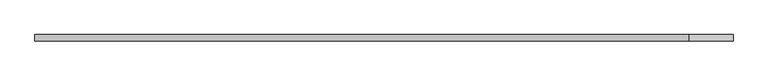
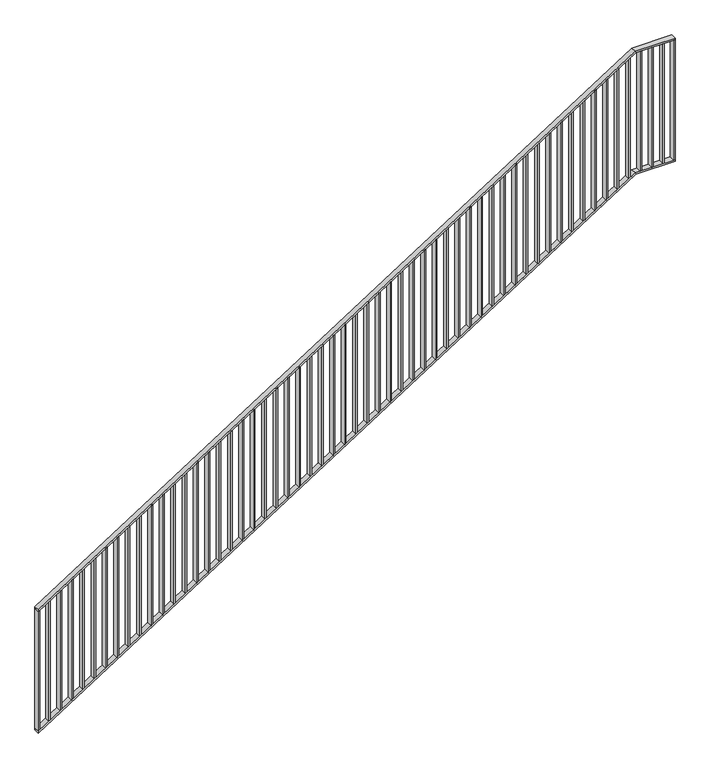
"""IFC4 building model written with IfcOpenShell, lengths in millimetres: railing geometry."""

import ifcopenshell
import ifcopenshell.guid

model = None  # the IFC model being written
_history = None  # IfcOwnerHistory: only IFC2X3 demands one
_inside = {}  # id of a spatial element -> (the spatial element, [elements in it])
_under = {}  # id of a project, library or spatial element -> (it, [spatial elements below it])
_declared = {}  # id of a project -> (the project, [libraries it declares])
_typed = {}  # id of a type object -> (the type object, [elements of that type])
_made_of = {}  # id of a material, layer set ... -> (it, [elements and type objects made of it])


def new_model(schema):
    """Start an empty IFC model of exactly this schema.

    Asked for "IFC4X3", IfcOpenShell would pick the latest addendum, in which some entities
    have other attributes; the version numbers below select the first issue.
    IFC2X3 requires an IfcOwnerHistory on every rooted entity: one is made here for all.
    """
    global model, _history
    if schema == "IFC4X3":
        model = ifcopenshell.file(schema_version=(4, 3, 0, 0))
    else:
        model = ifcopenshell.file(schema=schema)
    _inside.clear()
    _under.clear()
    _declared.clear()
    _typed.clear()
    _made_of.clear()
    _history = None
    if model.schema == "IFC2X3":
        org = make("IfcOrganization", Name="unknown")
        user = make(
            "IfcPersonAndOrganization",
            ThePerson=make("IfcPerson", FamilyName="unknown"),
            TheOrganization=org,
        )
        app = make(
            "IfcApplication",
            ApplicationDeveloper=org,
            Version="unknown",
            ApplicationFullName="unknown",
            ApplicationIdentifier="unknown",
        )
        _history = make(
            "IfcOwnerHistory",
            OwningUser=user,
            OwningApplication=app,
            ChangeAction="ADDED",
            CreationDate=0,
        )
    return model


def make(cls, **values):
    """One entity of the class cls with the attributes given. An attribute that is None is left unset."""
    return model.create_entity(
        cls, **{name: value for name, value in values.items() if value is not None}
    )


def rooted(cls, **values):
    """An entity with a GlobalId (a new one), such as an element, a storey or a relation."""
    return make(cls, GlobalId=ifcopenshell.guid.new(), OwnerHistory=_history, **values)


def si_unit(unit_type, name, prefix=None):
    """IfcSIUnit, for example si_unit("LENGTHUNIT", "METRE", prefix="MILLI")."""
    return make("IfcSIUnit", UnitType=unit_type, Prefix=prefix, Name=name)


def assignment(units):
    """IfcUnitAssignment: the units of a project."""
    return None if units is None else make("IfcUnitAssignment", Units=units)


def point(xyz):
    """IfcCartesianPoint."""
    return None if xyz is None else make("IfcCartesianPoint", Coordinates=xyz)


def direction(xyz):
    """IfcDirection."""
    return None if xyz is None else make("IfcDirection", DirectionRatios=xyz)


def frame(location, z_axis=None, x_axis=None):
    """IfcAxis2Placement3D, a coordinate frame: its origin and axes. An axis left out is left unset."""
    return make(
        "IfcAxis2Placement3D",
        Location=point(location),
        Axis=direction(z_axis),
        RefDirection=direction(x_axis),
    )


def origin():
    """The frame at (0, 0, 0) with its axes left unset."""
    return frame((0.0, 0.0, 0.0))


def place(relative_to, where):
    """IfcLocalPlacement: puts the frame where relative to a parent placement (None: the world)."""
    return make(
        "IfcLocalPlacement", PlacementRelTo=relative_to, RelativePlacement=where
    )


def context(
    kind, dimensions, precision=None, world=None, true_north=None, identifier=None
):
    """IfcGeometricRepresentationContext, for example the 3D "Model" context."""
    return make(
        "IfcGeometricRepresentationContext",
        ContextIdentifier=identifier,
        ContextType=kind,
        CoordinateSpaceDimension=dimensions,
        Precision=precision,
        WorldCoordinateSystem=world,
        TrueNorth=true_north,
    )


def project(units=None, contexts=None):
    """IfcProject with its units and contexts."""
    return rooted(
        "IfcProject",
        Name="project",
        RepresentationContexts=contexts,
        UnitsInContext=assignment(units),
    )


def spatial(cls, under=None, at=None, **own):
    """A site, building, storey or space (cls), placed at a placement, below another one or the project."""
    s = rooted(cls, ObjectPlacement=at, **own)
    if under is not None:
        _under.setdefault(under.id(), (under, []))[1].append(s)
    return s


def polyline(points):
    """IfcPolyline through the points."""
    return make("IfcPolyline", Points=[point(p) for p in points])


def outline(outer, holes=None, kind="AREA"):
    """IfcArbitraryClosedProfileDef: a profile drawn as a closed curve; with holes, ...WithVoids."""
    if holes is None:
        return make("IfcArbitraryClosedProfileDef", ProfileType=kind, OuterCurve=outer)
    return make(
        "IfcArbitraryProfileDefWithVoids",
        ProfileType=kind,
        OuterCurve=outer,
        InnerCurves=holes,
    )


def extrude(swept, where, along, depth):
    """IfcExtrudedAreaSolid: the profile swept, set in the frame where, extruded along a direction by depth."""
    return make(
        "IfcExtrudedAreaSolid",
        SweptArea=swept,
        Position=where,
        ExtrudedDirection=direction(along),
        Depth=depth,
    )


def faces_of(points, faces, orient=None, outer=None):
    """IfcFace entities. A face is a list of loops; a loop is a list of indices into points, from 0.

    orient and outer hold one flag for each loop. By default every Orientation is true, the
    first loop of a face is its IfcFaceOuterBound and the others are IfcFaceBound.
    """
    made = []
    for i, loops in enumerate(faces):
        bounds = []
        for j, loop in enumerate(loops):
            is_outer = j == 0 if outer is None else outer[i][j]
            bounds.append(
                make(
                    "IfcFaceOuterBound" if is_outer else "IfcFaceBound",
                    Bound=make("IfcPolyLoop", Polygon=[points[k] for k in loop]),
                    Orientation=True if orient is None else orient[i][j],
                )
            )
        made.append(make("IfcFace", Bounds=bounds))
    return made


def faceted_brep(points, faces, orient=None, outer=None, voids=None):
    """IfcFacetedBrep: a solid bounded by flat faces; with voids (closed shells), ...WithVoids."""
    shared = [point(p) for p in points]
    hull = make("IfcClosedShell", CfsFaces=faces_of(shared, faces, orient, outer))
    if voids is None:
        return make("IfcFacetedBrep", Outer=hull)
    return make(
        "IfcFacetedBrepWithVoids",
        Outer=hull,
        Voids=[
            make(cls, CfsFaces=faces_of(shared, fs, o, b)) for cls, fs, o, b in voids
        ],
    )


def shape(context_of_items, identifier, shape_type, items):
    """IfcShapeRepresentation: the items that make up one representation, for example the "Body"."""
    return make(
        "IfcShapeRepresentation",
        ContextOfItems=context_of_items,
        RepresentationIdentifier=identifier,
        RepresentationType=shape_type,
        Items=items,
    )


def source(mapping_origin, context_of_items, identifier, shape_type, items):
    """IfcRepresentationMap: a shape defined once, which mapped items show again and again."""
    return make(
        "IfcRepresentationMap",
        MappingOrigin=mapping_origin,
        MappedRepresentation=shape(context_of_items, identifier, shape_type, items),
    )


def transform(
    local_origin,
    x_axis=None,
    y_axis=None,
    z_axis=None,
    scale=None,
    scale2=None,
    scale3=None,
    uniform=True,
):
    """IfcCartesianTransformationOperator3D, or its non-uniform kind. x_axis, y_axis, z_axis: its Axis1, 2, 3."""
    if uniform:
        return make(
            "IfcCartesianTransformationOperator3D",
            Axis1=direction(x_axis),
            Axis2=direction(y_axis),
            LocalOrigin=point(local_origin),
            Scale=scale,
            Axis3=direction(z_axis),
        )
    return make(
        "IfcCartesianTransformationOperator3DnonUniform",
        Axis1=direction(x_axis),
        Axis2=direction(y_axis),
        LocalOrigin=point(local_origin),
        Scale=scale,
        Axis3=direction(z_axis),
        Scale2=scale2,
        Scale3=scale3,
    )


def mapped(mapping_source, mapping_target):
    """IfcMappedItem: shows the shape of a source again, moved by a transform."""
    return make(
        "IfcMappedItem", MappingSource=mapping_source, MappingTarget=mapping_target
    )


def made_of(thing, what):
    """Note that an element or type object is made of a material, layer set ...; save() writes the relation."""
    if what is not None:
        _made_of.setdefault(what.id(), (what, []))[1].append(thing)
    return thing


def element(
    cls,
    number,
    at=None,
    inside=None,
    cuts=None,
    type_object=None,
    material=None,
    context=None,
    identifier="Body",
    shape_type=None,
    held_by="IfcProductDefinitionShape",
    body=None,
    shapes=None,
    **own,
):
    """One element of the class cls, such as IfcWall. Its Tag is "e" and its number.

    at: its placement. inside: the storey or other place that contains it. cuts: it is an
    opening in that element (IfcRelVoidsElement). A single representation is given by context,
    identifier, shape_type and body (its items); several are given by shapes. held_by: the class
    of the entity that holds the representations. save() writes the other relations.
    """
    e = rooted(cls, Tag="e%d" % number, ObjectPlacement=at, **own)
    if body is not None:
        shapes = [shape(context, identifier, shape_type, body)]
    if shapes is not None:
        e.Representation = make(held_by, Representations=shapes)
    if inside is not None:
        _inside.setdefault(inside.id(), (inside, []))[1].append(e)
    if cuts is not None:
        rooted(
            "IfcRelVoidsElement", RelatingBuildingElement=cuts, RelatedOpeningElement=e
        )
    if type_object is not None:
        _typed.setdefault(type_object.id(), (type_object, []))[1].append(e)
    return made_of(e, material)


def aggregate(whole, parts):
    """IfcRelAggregates: a whole, such as a stair, and the parts it consists of."""
    return rooted("IfcRelAggregates", RelatingObject=whole, RelatedObjects=parts)


def save(model, path):
    """Write the relations noted so far, then the file.

    IfcRelAggregates (storeys below a building ...), IfcRelContainedInSpatialStructure (elements
    in a storey), IfcRelDefinesByType, IfcRelAssociatesMaterial and IfcRelDeclares: one each for
    every whole, place, type object, material and project.
    """
    for whole, parts in _under.values():
        aggregate(whole, parts)
    for where, things in _inside.values():
        rooted(
            "IfcRelContainedInSpatialStructure",
            RelatedElements=things,
            RelatingStructure=where,
        )
    for kind, things in _typed.values():
        rooted("IfcRelDefinesByType", RelatedObjects=things, RelatingType=kind)
    for what, things in _made_of.values():
        rooted("IfcRelAssociatesMaterial", RelatedObjects=things, RelatingMaterial=what)
    for by, libraries in _declared.values():
        rooted("IfcRelDeclares", RelatingContext=by, RelatedDefinitions=libraries)
    model.write(path)


def railing_64d381de(model_context):
    return source(origin(), model_context, "Body", "SolidModel", [
        faceted_brep([(60020.0, 1014.6, 1178.125), (60020.0, 1014.6, 1166.2576574), (60020.0, 974.6, 1166.2576574), (60020.0, 974.6, 1178.125), (64201.25, 1014.6, 3850.0), (64204.1722273, 1014.6, 3840.0), (64204.1722273, 974.6, 3840.0), (64201.25, 974.6, 3850.0), (64480.0, 1014.6, 3850.0), (64480.0, 974.6, 3850.0), (64480.0, 974.6, 3840.0), (64480.0, 1014.6, 3840.0)], [[[0, 1, 2, 3]], [[1, 0, 4, 5]], [[2, 1, 5, 6]], [[3, 2, 6, 7]], [[0, 3, 7, 4]], [[8, 9, 10, 11]], [[5, 4, 8, 11]], [[6, 5, 11, 10]], [[7, 6, 10, 9]], [[4, 7, 9, 8]]]),
        faceted_brep([(60020.0, 1014.6, 278.125), (60020.0, 1014.6, 266.2576574), (60020.0, 974.6, 266.2576574), (60020.0, 974.6, 278.125), (64201.25, 1014.6, 2950.0), (64204.1722273, 1014.6, 2940.0), (64204.1722273, 974.6, 2940.0), (64201.25, 974.6, 2950.0), (64480.0, 1014.6, 2950.0), (64480.0, 974.6, 2950.0), (64480.0, 974.6, 2940.0), (64480.0, 1014.6, 2940.0)], [[[0, 1, 2, 3]], [[1, 0, 4, 5]], [[2, 1, 5, 6]], [[3, 2, 6, 7]], [[0, 3, 7, 4]], [[8, 9, 10, 11]], [[5, 4, 8, 11]], [[6, 5, 11, 10]], [[7, 6, 10, 9]], [[4, 7, 9, 8]]]),
        extrude(outline(polyline([(64395.3571429, 1014.6), (64405.3571429, 1014.6), (64405.3571429, 974.6), (64395.3571429, 974.6), (64395.3571429, 1014.6)])), frame((0.0, 0.0, 2950.0), z_axis=(0.0, 0.0, 1.0), x_axis=(1.0, 0.0, 0.0)), (0.0, 0.0, 1.0), 890.0),
        extrude(outline(polyline([(64315.7142857, 1014.6), (64325.7142857, 1014.6), (64325.7142857, 974.6), (64315.7142857, 974.6), (64315.7142857, 1014.6)])), frame((0.0, 0.0, 2950.0), z_axis=(0.0, 0.0, 1.0), x_axis=(1.0, 0.0, 0.0)), (0.0, 0.0, 1.0), 890.0),
        extrude(outline(polyline([(64236.0714286, 1014.6), (64246.0714286, 1014.6), (64246.0714286, 974.6), (64236.0714286, 974.6), (64236.0714286, 1014.6)])), frame((0.0, 0.0, 2950.0), z_axis=(0.0, 0.0, 1.0), x_axis=(1.0, 0.0, 0.0)), (0.0, 0.0, 1.0), 890.0),
        extrude(outline(polyline([(2921.3585042, 64156.4285714), (2927.7486387, 64166.4285714), (3817.7486387, 64166.4285714), (3811.3585042, 64156.4285714), (2921.3585042, 64156.4285714)])), frame((0.0, 974.6, 0.0), z_axis=(0.0, 1.0, 0.0), x_axis=(0.0, 0.0, 1.0)), (0.0, 0.0, 1.0), 40.0),
        extrude(outline(polyline([(2870.465647, 64076.7857143), (2876.8557816, 64086.7857143), (3766.8557816, 64086.7857143), (3760.465647, 64076.7857143), (2870.465647, 64076.7857143)])), frame((0.0, 974.6, 0.0), z_axis=(0.0, 1.0, 0.0), x_axis=(0.0, 0.0, 1.0)), (0.0, 0.0, 1.0), 40.0),
        extrude(outline(polyline([(2819.5727899, 63997.1428571), (2825.9629244, 64007.1428571), (3715.9629244, 64007.1428571), (3709.5727899, 63997.1428571), (2819.5727899, 63997.1428571)])), frame((0.0, 974.6, 0.0), z_axis=(0.0, 1.0, 0.0), x_axis=(0.0, 0.0, 1.0)), (0.0, 0.0, 1.0), 40.0),
        extrude(outline(polyline([(2768.6799327, 63917.5), (2775.0700673, 63927.5), (3665.0700673, 63927.5), (3658.6799327, 63917.5), (2768.6799327, 63917.5)])), frame((0.0, 974.6, 0.0), z_axis=(0.0, 1.0, 0.0), x_axis=(0.0, 0.0, 1.0)), (0.0, 0.0, 1.0), 40.0),
        extrude(outline(polyline([(2717.7870756, 63837.8571429), (2724.1772101, 63847.8571429), (3614.1772101, 63847.8571429), (3607.7870756, 63837.8571429), (2717.7870756, 63837.8571429)])), frame((0.0, 974.6, 0.0), z_axis=(0.0, 1.0, 0.0), x_axis=(0.0, 0.0, 1.0)), (0.0, 0.0, 1.0), 40.0),
        extrude(outline(polyline([(2666.8942184, 63758.2142857), (2673.284353, 63768.2142857), (3563.284353, 63768.2142857), (3556.8942184, 63758.2142857), (2666.8942184, 63758.2142857)])), frame((0.0, 974.6, 0.0), z_axis=(0.0, 1.0, 0.0), x_axis=(0.0, 0.0, 1.0)), (0.0, 0.0, 1.0), 40.0),
        extrude(outline(polyline([(2616.0013613, 63678.5714286), (2622.3914958, 63688.5714286), (3512.3914958, 63688.5714286), (3506.0013613, 63678.5714286), (2616.0013613, 63678.5714286)])), frame((0.0, 974.6, 0.0), z_axis=(0.0, 1.0, 0.0), x_axis=(0.0, 0.0, 1.0)), (0.0, 0.0, 1.0), 40.0),
        extrude(outline(polyline([(2565.1085042, 63598.9285714), (2571.4986387, 63608.9285714), (3461.4986387, 63608.9285714), (3455.1085042, 63598.9285714), (2565.1085042, 63598.9285714)])), frame((0.0, 974.6, 0.0), z_axis=(0.0, 1.0, 0.0), x_axis=(0.0, 0.0, 1.0)), (0.0, 0.0, 1.0), 40.0),
        extrude(outline(polyline([(2514.215647, 63519.2857143), (2520.6057816, 63529.2857143), (3410.6057816, 63529.2857143), (3404.215647, 63519.2857143), (2514.215647, 63519.2857143)])), frame((0.0, 974.6, 0.0), z_axis=(0.0, 1.0, 0.0), x_axis=(0.0, 0.0, 1.0)), (0.0, 0.0, 1.0), 40.0),
        extrude(outline(polyline([(2463.3227899, 63439.6428571), (2469.7129244, 63449.6428571), (3359.7129244, 63449.6428571), (3353.3227899, 63439.6428571), (2463.3227899, 63439.6428571)])), frame((0.0, 974.6, 0.0), z_axis=(0.0, 1.0, 0.0), x_axis=(0.0, 0.0, 1.0)), (0.0, 0.0, 1.0), 40.0),
        extrude(outline(polyline([(2412.4299327, 63360.0), (2418.8200673, 63370.0), (3308.8200673, 63370.0), (3302.4299327, 63360.0), (2412.4299327, 63360.0)])), frame((0.0, 974.6, 0.0), z_axis=(0.0, 1.0, 0.0), x_axis=(0.0, 0.0, 1.0)), (0.0, 0.0, 1.0), 40.0),
        extrude(outline(polyline([(2361.5370756, 63280.3571429), (2367.9272101, 63290.3571429), (3257.9272101, 63290.3571429), (3251.5370756, 63280.3571429), (2361.5370756, 63280.3571429)])), frame((0.0, 974.6, 0.0), z_axis=(0.0, 1.0, 0.0), x_axis=(0.0, 0.0, 1.0)), (0.0, 0.0, 1.0), 40.0),
        extrude(outline(polyline([(2310.6442184, 63200.7142857), (2317.034353, 63210.7142857), (3207.034353, 63210.7142857), (3200.6442184, 63200.7142857), (2310.6442184, 63200.7142857)])), frame((0.0, 974.6, 0.0), z_axis=(0.0, 1.0, 0.0), x_axis=(0.0, 0.0, 1.0)), (0.0, 0.0, 1.0), 40.0),
        extrude(outline(polyline([(2259.7513613, 63121.0714286), (2266.1414958, 63131.0714286), (3156.1414958, 63131.0714286), (3149.7513613, 63121.0714286), (2259.7513613, 63121.0714286)])), frame((0.0, 974.6, 0.0), z_axis=(0.0, 1.0, 0.0), x_axis=(0.0, 0.0, 1.0)), (0.0, 0.0, 1.0), 40.0),
        extrude(outline(polyline([(2208.8585042, 63041.4285714), (2215.2486387, 63051.4285714), (3105.2486387, 63051.4285714), (3098.8585042, 63041.4285714), (2208.8585042, 63041.4285714)])), frame((0.0, 974.6, 0.0), z_axis=(0.0, 1.0, 0.0), x_axis=(0.0, 0.0, 1.0)), (0.0, 0.0, 1.0), 40.0),
        extrude(outline(polyline([(2157.965647, 62961.7857143), (2164.3557816, 62971.7857143), (3054.3557816, 62971.7857143), (3047.965647, 62961.7857143), (2157.965647, 62961.7857143)])), frame((0.0, 974.6, 0.0), z_axis=(0.0, 1.0, 0.0), x_axis=(0.0, 0.0, 1.0)), (0.0, 0.0, 1.0), 40.0),
        extrude(outline(polyline([(2107.0727899, 62882.1428571), (2113.4629244, 62892.1428571), (3003.4629244, 62892.1428571), (2997.0727899, 62882.1428571), (2107.0727899, 62882.1428571)])), frame((0.0, 974.6, 0.0), z_axis=(0.0, 1.0, 0.0), x_axis=(0.0, 0.0, 1.0)), (0.0, 0.0, 1.0), 40.0),
        extrude(outline(polyline([(2056.1799327, 62802.5), (2062.5700673, 62812.5), (2952.5700673, 62812.5), (2946.1799327, 62802.5), (2056.1799327, 62802.5)])), frame((0.0, 974.6, 0.0), z_axis=(0.0, 1.0, 0.0), x_axis=(0.0, 0.0, 1.0)), (0.0, 0.0, 1.0), 40.0),
        extrude(outline(polyline([(2005.2870756, 62722.8571429), (2011.6772101, 62732.8571429), (2901.6772101, 62732.8571429), (2895.2870756, 62722.8571429), (2005.2870756, 62722.8571429)])), frame((0.0, 974.6, 0.0), z_axis=(0.0, 1.0, 0.0), x_axis=(0.0, 0.0, 1.0)), (0.0, 0.0, 1.0), 40.0),
        extrude(outline(polyline([(1954.3942184, 62643.2142857), (1960.784353, 62653.2142857), (2850.784353, 62653.2142857), (2844.3942184, 62643.2142857), (1954.3942184, 62643.2142857)])), frame((0.0, 974.6, 0.0), z_axis=(0.0, 1.0, 0.0), x_axis=(0.0, 0.0, 1.0)), (0.0, 0.0, 1.0), 40.0),
        extrude(outline(polyline([(1903.5013613, 62563.5714286), (1909.8914958, 62573.5714286), (2799.8914958, 62573.5714286), (2793.5013613, 62563.5714286), (1903.5013613, 62563.5714286)])), frame((0.0, 974.6, 0.0), z_axis=(0.0, 1.0, 0.0), x_axis=(0.0, 0.0, 1.0)), (0.0, 0.0, 1.0), 40.0),
        extrude(outline(polyline([(1852.6085042, 62483.9285714), (1858.9986387, 62493.9285714), (2748.9986387, 62493.9285714), (2742.6085042, 62483.9285714), (1852.6085042, 62483.9285714)])), frame((0.0, 974.6, 0.0), z_axis=(0.0, 1.0, 0.0), x_axis=(0.0, 0.0, 1.0)), (0.0, 0.0, 1.0), 40.0),
        extrude(outline(polyline([(1801.715647, 62404.2857143), (1808.1057816, 62414.2857143), (2698.1057816, 62414.2857143), (2691.715647, 62404.2857143), (1801.715647, 62404.2857143)])), frame((0.0, 974.6, 0.0), z_axis=(0.0, 1.0, 0.0), x_axis=(0.0, 0.0, 1.0)), (0.0, 0.0, 1.0), 40.0),
        extrude(outline(polyline([(1750.8227899, 62324.6428571), (1757.2129244, 62334.6428571), (2647.2129244, 62334.6428571), (2640.8227899, 62324.6428571), (1750.8227899, 62324.6428571)])), frame((0.0, 974.6, 0.0), z_axis=(0.0, 1.0, 0.0), x_axis=(0.0, 0.0, 1.0)), (0.0, 0.0, 1.0), 40.0),
        extrude(outline(polyline([(1699.9299327, 62245.0), (1706.3200673, 62255.0), (2596.3200673, 62255.0), (2589.9299327, 62245.0), (1699.9299327, 62245.0)])), frame((0.0, 974.6, 0.0), z_axis=(0.0, 1.0, 0.0), x_axis=(0.0, 0.0, 1.0)), (0.0, 0.0, 1.0), 40.0),
        extrude(outline(polyline([(1649.0370756, 62165.3571429), (1655.4272101, 62175.3571429), (2545.4272101, 62175.3571429), (2539.0370756, 62165.3571429), (1649.0370756, 62165.3571429)])), frame((0.0, 974.6, 0.0), z_axis=(0.0, 1.0, 0.0), x_axis=(0.0, 0.0, 1.0)), (0.0, 0.0, 1.0), 40.0),
        extrude(outline(polyline([(1598.1442184, 62085.7142857), (1604.534353, 62095.7142857), (2494.534353, 62095.7142857), (2488.1442184, 62085.7142857), (1598.1442184, 62085.7142857)])), frame((0.0, 974.6, 0.0), z_axis=(0.0, 1.0, 0.0), x_axis=(0.0, 0.0, 1.0)), (0.0, 0.0, 1.0), 40.0),
        extrude(outline(polyline([(1547.2513613, 62006.0714286), (1553.6414958, 62016.0714286), (2443.6414958, 62016.0714286), (2437.2513613, 62006.0714286), (1547.2513613, 62006.0714286)])), frame((0.0, 974.6, 0.0), z_axis=(0.0, 1.0, 0.0), x_axis=(0.0, 0.0, 1.0)), (0.0, 0.0, 1.0), 40.0),
        extrude(outline(polyline([(1496.3585042, 61926.4285714), (1502.7486387, 61936.4285714), (2392.7486387, 61936.4285714), (2386.3585042, 61926.4285714), (1496.3585042, 61926.4285714)])), frame((0.0, 974.6, 0.0), z_axis=(0.0, 1.0, 0.0), x_axis=(0.0, 0.0, 1.0)), (0.0, 0.0, 1.0), 40.0),
        extrude(outline(polyline([(1445.465647, 61846.7857143), (1451.8557816, 61856.7857143), (2341.8557816, 61856.7857143), (2335.465647, 61846.7857143), (1445.465647, 61846.7857143)])), frame((0.0, 974.6, 0.0), z_axis=(0.0, 1.0, 0.0), x_axis=(0.0, 0.0, 1.0)), (0.0, 0.0, 1.0), 40.0),
        extrude(outline(polyline([(1394.5727899, 61767.1428571), (1400.9629244, 61777.1428571), (2290.9629244, 61777.1428571), (2284.5727899, 61767.1428571), (1394.5727899, 61767.1428571)])), frame((0.0, 974.6, 0.0), z_axis=(0.0, 1.0, 0.0), x_axis=(0.0, 0.0, 1.0)), (0.0, 0.0, 1.0), 40.0),
        extrude(outline(polyline([(1343.6799327, 61687.5), (1350.0700673, 61697.5), (2240.0700673, 61697.5), (2233.6799327, 61687.5), (1343.6799327, 61687.5)])), frame((0.0, 974.6, 0.0), z_axis=(0.0, 1.0, 0.0), x_axis=(0.0, 0.0, 1.0)), (0.0, 0.0, 1.0), 40.0),
        extrude(outline(polyline([(1292.7870756, 61607.8571429), (1299.1772101, 61617.8571429), (2189.1772101, 61617.8571429), (2182.7870756, 61607.8571429), (1292.7870756, 61607.8571429)])), frame((0.0, 974.6, 0.0), z_axis=(0.0, 1.0, 0.0), x_axis=(0.0, 0.0, 1.0)), (0.0, 0.0, 1.0), 40.0),
        extrude(outline(polyline([(1241.8942184, 61528.2142857), (1248.284353, 61538.2142857), (2138.284353, 61538.2142857), (2131.8942184, 61528.2142857), (1241.8942184, 61528.2142857)])), frame((0.0, 974.6, 0.0), z_axis=(0.0, 1.0, 0.0), x_axis=(0.0, 0.0, 1.0)), (0.0, 0.0, 1.0), 40.0),
        extrude(outline(polyline([(1191.0013613, 61448.5714286), (1197.3914958, 61458.5714286), (2087.3914958, 61458.5714286), (2081.0013613, 61448.5714286), (1191.0013613, 61448.5714286)])), frame((0.0, 974.6, 0.0), z_axis=(0.0, 1.0, 0.0), x_axis=(0.0, 0.0, 1.0)), (0.0, 0.0, 1.0), 40.0),
        extrude(outline(polyline([(1140.1085042, 61368.9285714), (1146.4986387, 61378.9285714), (2036.4986387, 61378.9285714), (2030.1085042, 61368.9285714), (1140.1085042, 61368.9285714)])), frame((0.0, 974.6, 0.0), z_axis=(0.0, 1.0, 0.0), x_axis=(0.0, 0.0, 1.0)), (0.0, 0.0, 1.0), 40.0),
        extrude(outline(polyline([(1089.215647, 61289.2857143), (1095.6057816, 61299.2857143), (1985.6057816, 61299.2857143), (1979.215647, 61289.2857143), (1089.215647, 61289.2857143)])), frame((0.0, 974.6, 0.0), z_axis=(0.0, 1.0, 0.0), x_axis=(0.0, 0.0, 1.0)), (0.0, 0.0, 1.0), 40.0),
        extrude(outline(polyline([(1038.3227899, 61209.6428571), (1044.7129244, 61219.6428571), (1934.7129244, 61219.6428571), (1928.3227899, 61209.6428571), (1038.3227899, 61209.6428571)])), frame((0.0, 974.6, 0.0), z_axis=(0.0, 1.0, 0.0), x_axis=(0.0, 0.0, 1.0)), (0.0, 0.0, 1.0), 40.0),
        extrude(outline(polyline([(987.4299327, 61130.0), (993.8200673, 61140.0), (1883.8200673, 61140.0), (1877.4299327, 61130.0), (987.4299327, 61130.0)])), frame((0.0, 974.6, 0.0), z_axis=(0.0, 1.0, 0.0), x_axis=(0.0, 0.0, 1.0)), (0.0, 0.0, 1.0), 40.0),
        extrude(outline(polyline([(936.5370756, 61050.3571429), (942.9272101, 61060.3571429), (1832.9272101, 61060.3571429), (1826.5370756, 61050.3571429), (936.5370756, 61050.3571429)])), frame((0.0, 974.6, 0.0), z_axis=(0.0, 1.0, 0.0), x_axis=(0.0, 0.0, 1.0)), (0.0, 0.0, 1.0), 40.0),
        extrude(outline(polyline([(885.6442184, 60970.7142857), (892.034353, 60980.7142857), (1782.034353, 60980.7142857), (1775.6442184, 60970.7142857), (885.6442184, 60970.7142857)])), frame((0.0, 974.6, 0.0), z_axis=(0.0, 1.0, 0.0), x_axis=(0.0, 0.0, 1.0)), (0.0, 0.0, 1.0), 40.0),
        extrude(outline(polyline([(834.7513613, 60891.0714286), (841.1414958, 60901.0714286), (1731.1414958, 60901.0714286), (1724.7513613, 60891.0714286), (834.7513613, 60891.0714286)])), frame((0.0, 974.6, 0.0), z_axis=(0.0, 1.0, 0.0), x_axis=(0.0, 0.0, 1.0)), (0.0, 0.0, 1.0), 40.0),
        extrude(outline(polyline([(783.8585042, 60811.4285714), (790.2486387, 60821.4285714), (1680.2486387, 60821.4285714), (1673.8585042, 60811.4285714), (783.8585042, 60811.4285714)])), frame((0.0, 974.6, 0.0), z_axis=(0.0, 1.0, 0.0), x_axis=(0.0, 0.0, 1.0)), (0.0, 0.0, 1.0), 40.0),
        extrude(outline(polyline([(732.965647, 60731.7857143), (739.3557816, 60741.7857143), (1629.3557816, 60741.7857143), (1622.965647, 60731.7857143), (732.965647, 60731.7857143)])), frame((0.0, 974.6, 0.0), z_axis=(0.0, 1.0, 0.0), x_axis=(0.0, 0.0, 1.0)), (0.0, 0.0, 1.0), 40.0),
        extrude(outline(polyline([(682.0727899, 60652.1428571), (688.4629244, 60662.1428571), (1578.4629244, 60662.1428571), (1572.0727899, 60652.1428571), (682.0727899, 60652.1428571)])), frame((0.0, 974.6, 0.0), z_axis=(0.0, 1.0, 0.0), x_axis=(0.0, 0.0, 1.0)), (0.0, 0.0, 1.0), 40.0),
        extrude(outline(polyline([(631.1799327, 60572.5), (637.5700673, 60582.5), (1527.5700673, 60582.5), (1521.1799327, 60572.5), (631.1799327, 60572.5)])), frame((0.0, 974.6, 0.0), z_axis=(0.0, 1.0, 0.0), x_axis=(0.0, 0.0, 1.0)), (0.0, 0.0, 1.0), 40.0),
        extrude(outline(polyline([(580.2870756, 60492.8571429), (586.6772101, 60502.8571429), (1476.6772101, 60502.8571429), (1470.2870756, 60492.8571429), (580.2870756, 60492.8571429)])), frame((0.0, 974.6, 0.0), z_axis=(0.0, 1.0, 0.0), x_axis=(0.0, 0.0, 1.0)), (0.0, 0.0, 1.0), 40.0),
        extrude(outline(polyline([(529.3942184, 60413.2142857), (535.784353, 60423.2142857), (1425.784353, 60423.2142857), (1419.3942184, 60413.2142857), (529.3942184, 60413.2142857)])), frame((0.0, 974.6, 0.0), z_axis=(0.0, 1.0, 0.0), x_axis=(0.0, 0.0, 1.0)), (0.0, 0.0, 1.0), 40.0),
        extrude(outline(polyline([(478.5013613, 60333.5714286), (484.8914958, 60343.5714286), (1374.8914958, 60343.5714286), (1368.5013613, 60333.5714286), (478.5013613, 60333.5714286)])), frame((0.0, 974.6, 0.0), z_axis=(0.0, 1.0, 0.0), x_axis=(0.0, 0.0, 1.0)), (0.0, 0.0, 1.0), 40.0),
        extrude(outline(polyline([(427.6085042, 60253.9285714), (433.9986387, 60263.9285714), (1323.9986387, 60263.9285714), (1317.6085042, 60253.9285714), (427.6085042, 60253.9285714)])), frame((0.0, 974.6, 0.0), z_axis=(0.0, 1.0, 0.0), x_axis=(0.0, 0.0, 1.0)), (0.0, 0.0, 1.0), 40.0),
        extrude(outline(polyline([(376.715647, 60174.2857143), (383.1057816, 60184.2857143), (1273.1057816, 60184.2857143), (1266.715647, 60174.2857143), (376.715647, 60174.2857143)])), frame((0.0, 974.6, 0.0), z_axis=(0.0, 1.0, 0.0), x_axis=(0.0, 0.0, 1.0)), (0.0, 0.0, 1.0), 40.0),
        extrude(outline(polyline([(325.8227899, 60094.6428571), (332.2129244, 60104.6428571), (1222.2129244, 60104.6428571), (1215.8227899, 60094.6428571), (325.8227899, 60094.6428571)])), frame((0.0, 974.6, 0.0), z_axis=(0.0, 1.0, 0.0), x_axis=(0.0, 0.0, 1.0)), (0.0, 0.0, 1.0), 40.0),
        extrude(outline(polyline([(64470.0, 1014.6), (64480.0, 1014.6), (64480.0, 974.6), (64470.0, 974.6), (64470.0, 1014.6)])), frame((0.0, 0.0, 2950.0), z_axis=(0.0, 0.0, 1.0), x_axis=(1.0, 0.0, 0.0)), (0.0, 0.0, 1.0), 890.0),
        extrude(outline(polyline([(278.125, 60020.0), (284.5151345, 60030.0), (1174.5151345, 60030.0), (1168.125, 60020.0), (278.125, 60020.0)])), frame((0.0, 974.6, 0.0), z_axis=(0.0, 1.0, 0.0), x_axis=(0.0, 0.0, 1.0)), (0.0, 0.0, 1.0), 40.0),
    ])


if __name__ == "__main__":
    model = new_model("IFC4")
    model_context = context("Model", 3, world=origin())
    ifc_project = project(units=[si_unit("LENGTHUNIT", "METRE", prefix="MILLI")], contexts=[model_context])
    site = spatial("IfcSite", under=ifc_project)
    building = spatial("IfcBuilding", under=site)
    placement = place(None, origin())
    railing_shape = railing_64d381de(model_context)
    element("IfcRailing", 1, at=placement, inside=building, context=model_context, shape_type="MappedRepresentation", body=[
        mapped(railing_shape, transform((0.0, 0.0, 0.0), x_axis=(1.0, 0.0, 0.0), y_axis=(0.0, 1.0, 0.0), z_axis=(0.0, 0.0, 1.0))),
    ])
    save(model, "model.ifc")
